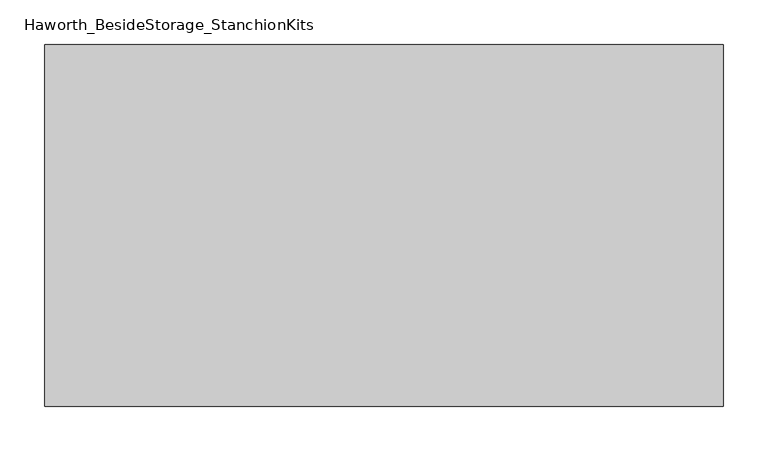
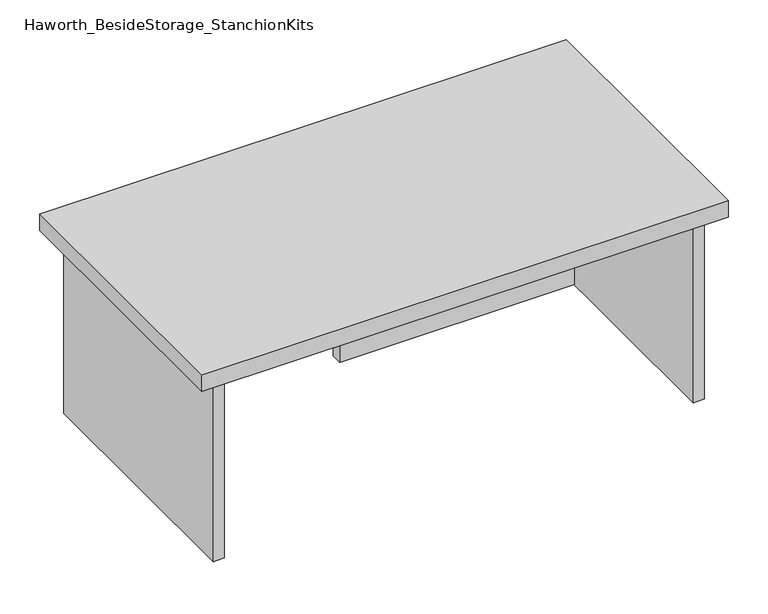
"""IFC4 building model written with IfcOpenShell, lengths in millimetres: furniture geometry, Haworth_BesideStorage_StanchionKits."""

from ifc_helpers import new_model, si_unit, frame, origin, place, context, project, spatial, polyline, outline, extrude, source, transform, mapped, element, save


def haworth_besidestorage_stanchionkits_e981f763(model_context):
    return source(origin(), model_context, "Body", "SweptSolid", [
        extrude(outline(polyline([(542.925, 0.0), (542.925, -406.4), (-219.075, -406.4), (-219.075, 0.0), (542.925, 0.0)])), frame((0.0, 0.0, 711.2), z_axis=(0.0, 0.0, 1.0), x_axis=(1.0, 0.0, 0.0)), (0.0, 0.0, 1.0), 25.4),
        extrude(outline(polyline([(161.925, -76.2), (501.65, -76.2), (501.65, -92.075), (161.925, -92.075), (161.925, -76.2)])), frame((0.0, 0.0, 431.8), z_axis=(0.0, 0.0, 1.0), x_axis=(1.0, 0.0, 0.0)), (0.0, 0.0, 1.0), 279.4),
        extrude(outline(polyline([(517.525, -390.525), (501.65, -390.525), (501.65, -15.875), (517.525, -15.875), (517.525, -390.525)])), frame((0.0, 0.0, 431.8), z_axis=(0.0, 0.0, 1.0), x_axis=(1.0, 0.0, 0.0)), (0.0, 0.0, 1.0), 279.4),
        extrude(outline(polyline([(-177.8, -390.525), (-193.675, -390.525), (-193.675, -15.875), (-177.8, -15.875), (-177.8, -390.525)])), frame((0.0, 0.0, 431.8), z_axis=(0.0, 0.0, 1.0), x_axis=(1.0, 0.0, 0.0)), (0.0, 0.0, 1.0), 279.4),
    ])


if __name__ == "__main__":
    model = new_model("IFC4")
    model_context = context("Model", 3, world=origin())
    ifc_project = project(units=[si_unit("LENGTHUNIT", "METRE", prefix="MILLI")], contexts=[model_context])
    site = spatial("IfcSite", under=ifc_project)
    building = spatial("IfcBuilding", under=site)
    placement = place(None, origin())
    haworth_besidestorage_stanchionkits_shape = haworth_besidestorage_stanchionkits_e981f763(model_context)
    element("IfcFurniture", 1, ObjectType="Haworth_BesideStorage_StanchionKits", at=placement, inside=building, context=model_context, shape_type="MappedRepresentation", body=[
        mapped(haworth_besidestorage_stanchionkits_shape, transform((0.0, 0.0, 0.0), x_axis=(1.0, 0.0, 0.0), y_axis=(0.0, 1.0, 0.0), z_axis=(0.0, 0.0, 1.0))),
    ])
    save(model, "model.ifc")
